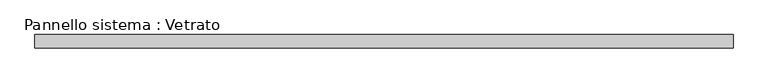
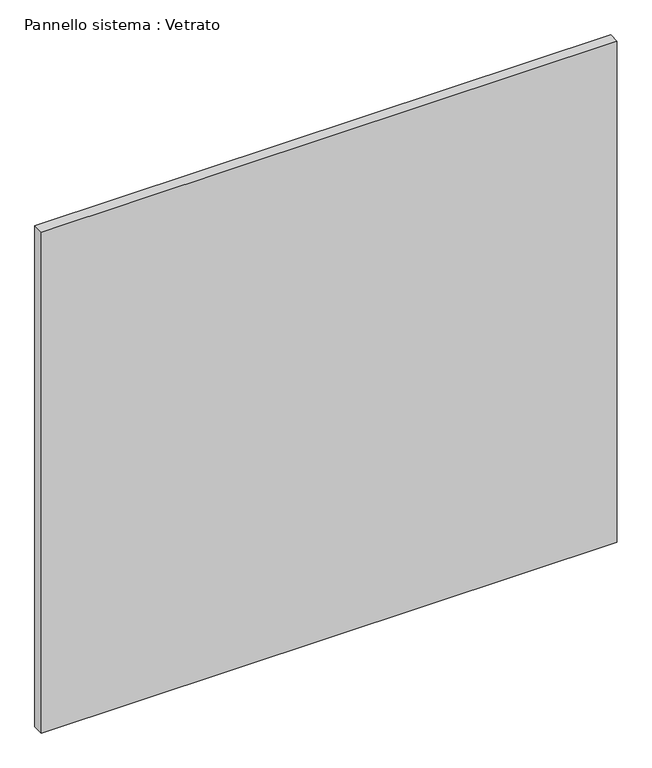
"""IFC4 building model written with IfcOpenShell, lengths in millimetres: plate geometry, Pannello sistema : Vetrato."""

from ifc_helpers import new_model, si_unit, origin, origin_with_axes, place, context, project, spatial, polyline, outline, extrude, source, transform, mapped, element, save


def pannello_sistema_vetrato_7a181a4d(model_context):
    return source(origin(), model_context, "Body", "SweptSolid", [
        extrude(outline(polyline([(775.0, -15.0), (-775.0, -15.0), (-775.0, 15.0), (775.0, 15.0), (775.0, -15.0)])), origin_with_axes(), (0.0, 0.0, 1.0), 1425.0),
    ])


if __name__ == "__main__":
    model = new_model("IFC4")
    model_context = context("Model", 3, world=origin())
    ifc_project = project(units=[si_unit("LENGTHUNIT", "METRE", prefix="MILLI")], contexts=[model_context])
    site = spatial("IfcSite", under=ifc_project)
    building = spatial("IfcBuilding", under=site)
    placement = place(None, origin())
    pannello_sistema_vetrato_shape = pannello_sistema_vetrato_7a181a4d(model_context)
    element("IfcPlate", 1, ObjectType="Pannello sistema : Vetrato", at=placement, inside=building, context=model_context, shape_type="MappedRepresentation", body=[
        mapped(pannello_sistema_vetrato_shape, transform((0.0, 0.0, 0.0), x_axis=(1.0, 0.0, 0.0), y_axis=(0.0, 1.0, 0.0), z_axis=(0.0, 0.0, 1.0))),
    ])
    save(model, "model.ifc")
